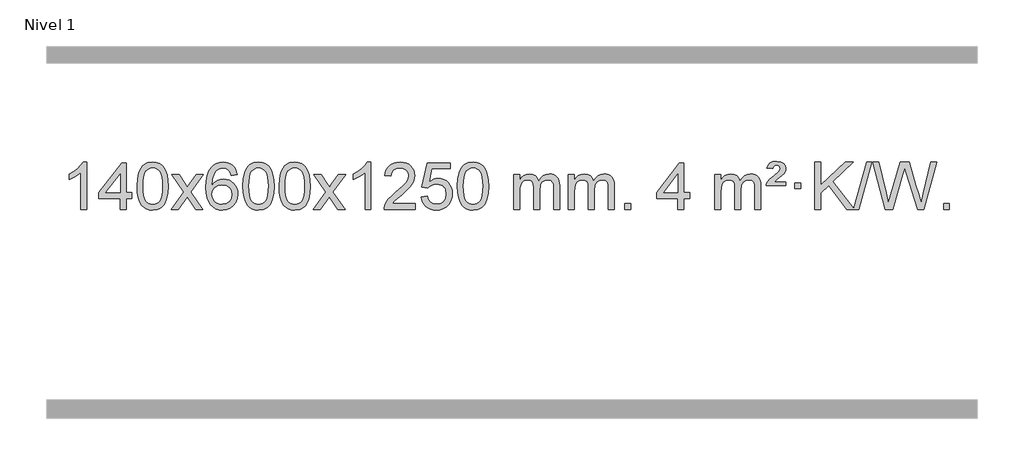
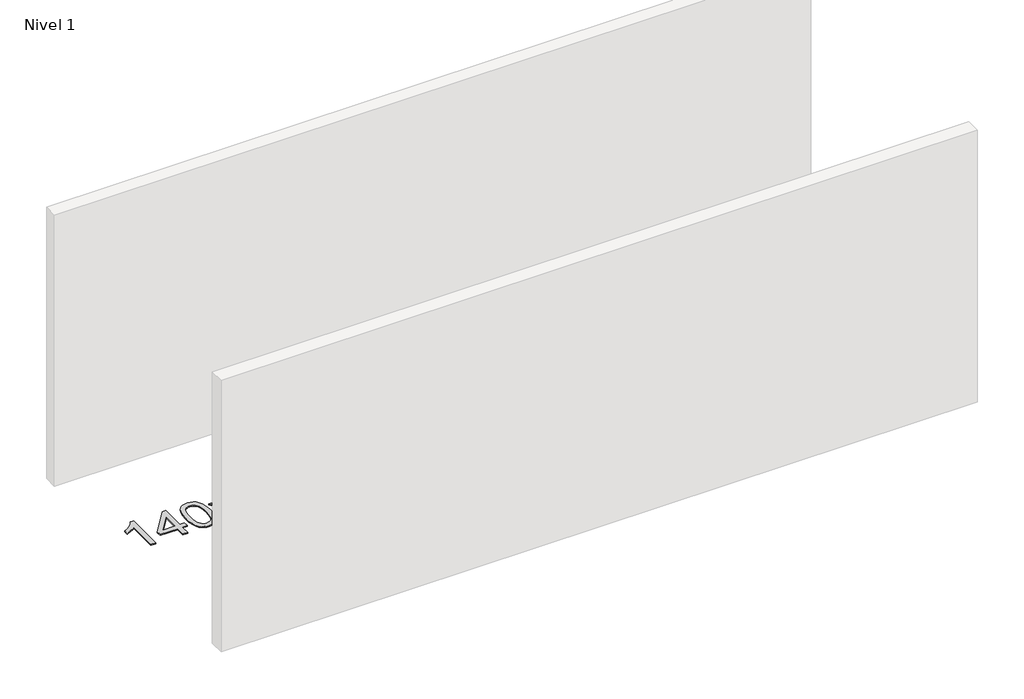
# One storey, part 3 of 9: 1 proxy.
"""IFC4 building model written with IfcOpenShell, lengths in millimetres."""

import ifcopenshell
import ifcopenshell.guid

model = None  # the IFC model being written
_history = None  # IfcOwnerHistory: only IFC2X3 demands one
_inside = {}  # id of a spatial element -> (the spatial element, [elements in it])
_under = {}  # id of a project, library or spatial element -> (it, [spatial elements below it])
_declared = {}  # id of a project -> (the project, [libraries it declares])
_typed = {}  # id of a type object -> (the type object, [elements of that type])
_made_of = {}  # id of a material, layer set ... -> (it, [elements and type objects made of it])


def new_model(schema):
    """Start an empty IFC model of exactly this schema.

    Asked for "IFC4X3", IfcOpenShell would pick the latest addendum, in which some entities
    have other attributes; the version numbers below select the first issue.
    IFC2X3 requires an IfcOwnerHistory on every rooted entity: one is made here for all.
    """
    global model, _history
    if schema == "IFC4X3":
        model = ifcopenshell.file(schema_version=(4, 3, 0, 0))
    else:
        model = ifcopenshell.file(schema=schema)
    _inside.clear()
    _under.clear()
    _declared.clear()
    _typed.clear()
    _made_of.clear()
    _history = None
    if model.schema == "IFC2X3":
        org = make("IfcOrganization", Name="unknown")
        user = make(
            "IfcPersonAndOrganization",
            ThePerson=make("IfcPerson", FamilyName="unknown"),
            TheOrganization=org,
        )
        app = make(
            "IfcApplication",
            ApplicationDeveloper=org,
            Version="unknown",
            ApplicationFullName="unknown",
            ApplicationIdentifier="unknown",
        )
        _history = make(
            "IfcOwnerHistory",
            OwningUser=user,
            OwningApplication=app,
            ChangeAction="ADDED",
            CreationDate=0,
        )
    return model


def make(cls, **values):
    """One entity of the class cls with the attributes given. An attribute that is None is left unset."""
    return model.create_entity(
        cls, **{name: value for name, value in values.items() if value is not None}
    )


def rooted(cls, **values):
    """An entity with a GlobalId (a new one), such as an element, a storey or a relation."""
    return make(cls, GlobalId=ifcopenshell.guid.new(), OwnerHistory=_history, **values)


def si_unit(unit_type, name, prefix=None):
    """IfcSIUnit, for example si_unit("LENGTHUNIT", "METRE", prefix="MILLI")."""
    return make("IfcSIUnit", UnitType=unit_type, Prefix=prefix, Name=name)


def assignment(units):
    """IfcUnitAssignment: the units of a project."""
    return None if units is None else make("IfcUnitAssignment", Units=units)


def point(xyz):
    """IfcCartesianPoint."""
    return None if xyz is None else make("IfcCartesianPoint", Coordinates=xyz)


def direction(xyz):
    """IfcDirection."""
    return None if xyz is None else make("IfcDirection", DirectionRatios=xyz)


def frame(location, z_axis=None, x_axis=None):
    """IfcAxis2Placement3D, a coordinate frame: its origin and axes. An axis left out is left unset."""
    return make(
        "IfcAxis2Placement3D",
        Location=point(location),
        Axis=direction(z_axis),
        RefDirection=direction(x_axis),
    )


def origin():
    """The frame at (0, 0, 0) with its axes left unset."""
    return frame((0.0, 0.0, 0.0))


def origin_with_axes():
    """The frame at (0, 0, 0) with the z axis (0, 0, 1) and the x axis (1, 0, 0) written out."""
    return frame((0.0, 0.0, 0.0), z_axis=(0.0, 0.0, 1.0), x_axis=(1.0, 0.0, 0.0))


def place(relative_to, where):
    """IfcLocalPlacement: puts the frame where relative to a parent placement (None: the world)."""
    return make(
        "IfcLocalPlacement", PlacementRelTo=relative_to, RelativePlacement=where
    )


def context(
    kind, dimensions, precision=None, world=None, true_north=None, identifier=None
):
    """IfcGeometricRepresentationContext, for example the 3D "Model" context."""
    return make(
        "IfcGeometricRepresentationContext",
        ContextIdentifier=identifier,
        ContextType=kind,
        CoordinateSpaceDimension=dimensions,
        Precision=precision,
        WorldCoordinateSystem=world,
        TrueNorth=true_north,
    )


def project(units=None, contexts=None):
    """IfcProject with its units and contexts."""
    return rooted(
        "IfcProject",
        Name="project",
        RepresentationContexts=contexts,
        UnitsInContext=assignment(units),
    )


def spatial(cls, under=None, at=None, **own):
    """A site, building, storey or space (cls), placed at a placement, below another one or the project."""
    s = rooted(cls, ObjectPlacement=at, **own)
    if under is not None:
        _under.setdefault(under.id(), (under, []))[1].append(s)
    return s


def polyline(points):
    """IfcPolyline through the points."""
    return make("IfcPolyline", Points=[point(p) for p in points])


def outline(outer, holes=None, kind="AREA"):
    """IfcArbitraryClosedProfileDef: a profile drawn as a closed curve; with holes, ...WithVoids."""
    if holes is None:
        return make("IfcArbitraryClosedProfileDef", ProfileType=kind, OuterCurve=outer)
    return make(
        "IfcArbitraryProfileDefWithVoids",
        ProfileType=kind,
        OuterCurve=outer,
        InnerCurves=holes,
    )


def extrude(swept, where, along, depth):
    """IfcExtrudedAreaSolid: the profile swept, set in the frame where, extruded along a direction by depth."""
    return make(
        "IfcExtrudedAreaSolid",
        SweptArea=swept,
        Position=where,
        ExtrudedDirection=direction(along),
        Depth=depth,
    )


def shape(context_of_items, identifier, shape_type, items):
    """IfcShapeRepresentation: the items that make up one representation, for example the "Body"."""
    return make(
        "IfcShapeRepresentation",
        ContextOfItems=context_of_items,
        RepresentationIdentifier=identifier,
        RepresentationType=shape_type,
        Items=items,
    )


def made_of(thing, what):
    """Note that an element or type object is made of a material, layer set ...; save() writes the relation."""
    if what is not None:
        _made_of.setdefault(what.id(), (what, []))[1].append(thing)
    return thing


def element(
    cls,
    number,
    at=None,
    inside=None,
    cuts=None,
    type_object=None,
    material=None,
    context=None,
    identifier="Body",
    shape_type=None,
    held_by="IfcProductDefinitionShape",
    body=None,
    shapes=None,
    **own,
):
    """One element of the class cls, such as IfcWall. Its Tag is "e" and its number.

    at: its placement. inside: the storey or other place that contains it. cuts: it is an
    opening in that element (IfcRelVoidsElement). A single representation is given by context,
    identifier, shape_type and body (its items); several are given by shapes. held_by: the class
    of the entity that holds the representations. save() writes the other relations.
    """
    e = rooted(cls, Tag="e%d" % number, ObjectPlacement=at, **own)
    if body is not None:
        shapes = [shape(context, identifier, shape_type, body)]
    if shapes is not None:
        e.Representation = make(held_by, Representations=shapes)
    if inside is not None:
        _inside.setdefault(inside.id(), (inside, []))[1].append(e)
    if cuts is not None:
        rooted(
            "IfcRelVoidsElement", RelatingBuildingElement=cuts, RelatedOpeningElement=e
        )
    if type_object is not None:
        _typed.setdefault(type_object.id(), (type_object, []))[1].append(e)
    return made_of(e, material)


def aggregate(whole, parts):
    """IfcRelAggregates: a whole, such as a stair, and the parts it consists of."""
    return rooted("IfcRelAggregates", RelatingObject=whole, RelatedObjects=parts)


def save(model, path):
    """Write the relations noted so far, then the file.

    IfcRelAggregates (storeys below a building ...), IfcRelContainedInSpatialStructure (elements
    in a storey), IfcRelDefinesByType, IfcRelAssociatesMaterial and IfcRelDeclares: one each for
    every whole, place, type object, material and project.
    """
    for whole, parts in _under.values():
        aggregate(whole, parts)
    for where, things in _inside.values():
        rooted(
            "IfcRelContainedInSpatialStructure",
            RelatedElements=things,
            RelatingStructure=where,
        )
    for kind, things in _typed.values():
        rooted("IfcRelDefinesByType", RelatedObjects=things, RelatingType=kind)
    for what, things in _made_of.values():
        rooted("IfcRelAssociatesMaterial", RelatedObjects=things, RelatingMaterial=what)
    for by, libraries in _declared.values():
        rooted("IfcRelDeclares", RelatingContext=by, RelatedDefinitions=libraries)
    model.write(path)


model = new_model("IFC4")

# Units and contexts
model_context = context("Model", 3, world=origin())
ifc_project = project(units=[si_unit("LENGTHUNIT", "METRE", prefix="MILLI")], contexts=[model_context])

# Site, building, storey
site = spatial("IfcSite", under=ifc_project)
building = spatial("IfcBuilding", under=site)
storey = spatial("IfcBuildingStorey", under=building, Name="Nivel 1", Elevation=0.0)

# Proxy
placement = place(None, origin())
element("IfcBuildingElementProxy", 1, Name="Texto de modelo 1", ObjectType="Texto de modelo 1", at=placement, inside=storey, context=model_context, shape_type="SweptSolid", body=[
    extrude(outline(polyline([(-6189.3326366, -15395.579453), (-6239.5607917, -15395.579453), (-6239.5607917, -15082.4382987), (-6260.5300654, -15099.3976587), (-6287.1401964, -15116.3324932), (-6340.0171019, -15141.6918254), (-6340.0171019, -15094.2105225), (-6300.5678892, -15072.7507395), (-6266.3916519, -15047.219729), (-6239.4504271, -15020.0700378), (-6221.7062522, -14993.7542124), (-6189.3326366, -14993.7542124), (-6189.3326366, -15395.579453)])), origin_with_axes(), (0.0, 0.0, 1.0), 10.0),
    extrude(outline(polyline([(-5906.7992643, -15395.579453), (-5906.7992643, -15301.4016622), (-6088.8763265, -15301.4016622), (-6088.8763265, -15251.1735072), (-5894.2422256, -15000.0327318), (-5856.5711093, -15000.0327318), (-5856.5711093, -15251.1735072), (-5806.3429542, -15251.1735072), (-5806.3429542, -15301.4016622), (-5856.5711093, -15301.4016622), (-5856.5711093, -15395.579453), (-5906.7992643, -15395.579453)]), holes=[polyline([(-5906.7992643, -15251.1735072), (-5906.7992643, -15095.9763561), (-6027.0721513, -15251.1735072), (-5906.7992643, -15251.1735072)])]), origin_with_axes(), (0.0, 0.0, 1.0), 10.0),
    extrude(outline(polyline([(-5762.3933185, -15197.9041943), (-5758.7022358, -15133.5861588), (-5747.6289878, -15082.2911459), (-5729.2839389, -15043.2343407), (-5717.4258759, -15028.0009605), (-5703.7774539, -15015.6309284), (-5688.2926876, -15006.0598651), (-5670.9255918, -14999.2233914), (-5630.5444114, -14993.7542124), (-5599.5932729, -14996.991574), (-5571.8794959, -15006.7036586), (-5548.7029302, -15022.5103217), (-5531.3634255, -15044.0314184), (-5518.2668265, -15071.0830078), (-5507.8189778, -15103.4811488), (-5500.9763727, -15144.6226186), (-5498.6955043, -15197.9041943), (-5502.3497988, -15261.8543477), (-5513.3126823, -15313.0267333), (-5531.5473665, -15352.1203266), (-5543.3778383, -15367.3996922), (-5557.0170633, -15379.8341036), (-5572.5202237, -15389.4695462), (-5589.9425019, -15396.3520052), (-5630.5444114, -15401.8579724), (-5658.2091375, -15399.4667394), (-5682.7346038, -15392.2930405), (-5704.1208105, -15380.3368757), (-5722.3677574, -15363.5982449), (-5739.8789404, -15333.3399508), (-5752.3869282, -15295.6381776), (-5759.8917209, -15250.4929255), (-5762.3933185, -15197.9041943)]), holes=[polyline([(-5712.1651634, -15197.8060924), (-5710.6936354, -15241.4706195), (-5706.2790515, -15276.8148822), (-5698.9214116, -15303.8388804), (-5688.6207157, -15322.5426142), (-5676.1617788, -15335.2682656), (-5662.3294158, -15344.3580165), (-5647.1236267, -15349.8118671), (-5630.5444114, -15351.6298173), (-5613.9651962, -15349.8057357), (-5598.759407, -15344.3334911), (-5584.927044, -15335.2130833), (-5572.4681071, -15322.4445124), (-5562.1674113, -15303.7101217), (-5554.8097713, -15276.6922549), (-5550.3951874, -15241.3909118), (-5548.9236594, -15197.8060924), (-5550.3461365, -15155.2973278), (-5554.6135676, -15120.5753989), (-5561.7259529, -15093.6403055), (-5571.6832922, -15074.4920476), (-5583.9337626, -15061.1440625), (-5597.9255412, -15051.6097875), (-5613.6586278, -15045.8892225), (-5631.1330226, -15043.9823675), (-5647.6263987, -15045.6623619), (-5662.5746705, -15050.7023452), (-5675.9778378, -15059.1023175), (-5687.8359008, -15070.8622786), (-5698.4799532, -15091.708925), (-5706.0828478, -15119.8151094), (-5710.6445845, -15155.1808319), (-5712.1651634, -15197.8060924)])]), origin_with_axes(), (0.0, 0.0, 1.0), 10.0),
    extrude(outline(polyline([(-5473.5814268, -15395.579453), (-5366.2579861, -15247.2494325), (-5467.3029074, -15100.4890419), (-5406.8721584, -15100.4890419), (-5358.1155313, -15171.122385), (-5335.3558985, -15204.4770192), (-5315.6374235, -15177.2047007), (-5260.1117677, -15100.4890419), (-5199.6810187, -15100.4890419), (-5305.827237, -15247.2494325), (-5203.6050933, -15395.579453), (-5264.0358424, -15395.579453), (-5325.545712, -15306.4048574), (-5336.8274265, -15290.1199477), (-5413.1506777, -15395.579453), (-5473.5814268, -15395.579453)])), origin_with_axes(), (0.0, 0.0, 1.0), 10.0),
    extrude(outline(polyline([(-4914.7932016, -15100.4890419), (-4965.0213567, -15106.7675613), (-4973.1147606, -15081.874213), (-4984.0531186, -15064.8780648), (-5006.8372768, -15049.2062918), (-5034.3793755, -15043.9823675), (-5057.7276195, -15047.0235253), (-5079.7024373, -15056.1469988), (-5098.5747837, -15075.3627017), (-5113.9890393, -15101.8134171), (-5124.4000997, -15139.227016), (-5128.2628607, -15191.3313693), (-5108.1151901, -15167.8237098), (-5083.9698685, -15151.2567573), (-5057.1757965, -15141.434308), (-5029.0818748, -15138.1601582), (-5004.9488159, -15140.398107), (-4982.6796924, -15147.1119534), (-4962.2745044, -15158.3016975), (-4943.7332519, -15173.9673391), (-4928.3251277, -15193.1769106), (-4917.3193246, -15214.9984443), (-4910.7158428, -15239.4319401), (-4908.5146822, -15266.4773982), (-4912.659486, -15302.4439945), (-4925.0938975, -15335.786366), (-4944.7878469, -15364.0642287), (-4970.7112649, -15384.8372987), (-5001.6869289, -15397.602804), (-5036.5376165, -15401.8579724), (-5066.4801453, -15399.0375437), (-5093.5225376, -15390.5762579), (-5117.6647935, -15376.4741147), (-5138.9069131, -15356.7311143), (-5156.224958, -15330.5133908), (-5168.5949901, -15296.9870783), (-5176.0170093, -15256.1521768), (-5178.4910157, -15208.0086864), (-5175.7441635, -15154.0342663), (-5167.5036068, -15107.9693092), (-5153.7693457, -15069.8138149), (-5134.5413801, -15039.5677835), (-5113.700865, -15019.5243462), (-5089.5371493, -15005.2076052), (-5062.0502329, -14996.6175606), (-5031.2401158, -14993.7542124), (-5008.1064697, -14995.5261773), (-4987.1678528, -15000.8420722), (-4968.4242651, -15009.7018969), (-4951.8757067, -15022.1056515), (-4937.9697673, -15037.6364031), (-4927.1540366, -15055.8772186), (-4919.4285147, -15076.8280983), (-4914.7932016, -15100.4890419)]), holes=[polyline([(-5128.2628607, -15265.6925832), (-5125.3565929, -15287.9494439), (-5116.6377896, -15309.2007605), (-5103.0997322, -15327.472233), (-5085.735702, -15340.7895612), (-5064.778691, -15348.9197533), (-5040.4616912, -15351.6298173), (-5007.3155234, -15346.0134855), (-4993.4003869, -15338.9930708), (-4981.2572154, -15329.1644901), (-4971.407175, -15316.9262824), (-4964.3714318, -15302.6769865), (-4958.7428373, -15268.1451299), (-4964.2978554, -15234.9989621), (-4971.2416281, -15221.3781312), (-4980.9629098, -15209.725469), (-4993.1428695, -15200.3904634), (-5007.4626762, -15193.7226022), (-5042.5218303, -15188.3883133), (-5075.6189472, -15193.7226022), (-5103.2959359, -15209.725469), (-5114.2189655, -15221.2248471), (-5122.0211295, -15234.3858254), (-5126.7024279, -15249.2084042), (-5128.2628607, -15265.6925832)])]), origin_with_axes(), (0.0, 0.0, 1.0), 10.0),
    extrude(outline(polyline([(-4864.5650465, -15197.9041943), (-4860.8739638, -15133.5861588), (-4849.8007158, -15082.2911459), (-4831.455667, -15043.2343407), (-4819.597604, -15028.0009605), (-4805.949182, -15015.6309284), (-4790.4644157, -15006.0598651), (-4773.0973198, -14999.2233914), (-4732.7161395, -14993.7542124), (-4701.7650009, -14996.991574), (-4674.051224, -15006.7036586), (-4650.8746583, -15022.5103217), (-4633.5351536, -15044.0314184), (-4620.4385545, -15071.0830078), (-4609.9907059, -15103.4811488), (-4603.1481008, -15144.6226186), (-4600.8672324, -15197.9041943), (-4604.5215269, -15261.8543477), (-4615.4844103, -15313.0267333), (-4633.7190946, -15352.1203266), (-4645.5495664, -15367.3996922), (-4659.1887914, -15379.8341036), (-4674.6919518, -15389.4695462), (-4692.1142299, -15396.3520052), (-4732.7161395, -15401.8579724), (-4760.3808655, -15399.4667394), (-4784.9063318, -15392.2930405), (-4806.2925385, -15380.3368757), (-4824.5394855, -15363.5982449), (-4842.0506684, -15333.3399508), (-4854.5586563, -15295.6381776), (-4862.063449, -15250.4929255), (-4864.5650465, -15197.9041943)]), holes=[polyline([(-4814.3368915, -15197.8060924), (-4812.8653635, -15241.4706195), (-4808.4507795, -15276.8148822), (-4801.0931396, -15303.8388804), (-4790.7924438, -15322.5426142), (-4778.3335069, -15335.2682656), (-4764.5011438, -15344.3580165), (-4749.2953547, -15349.8118671), (-4732.7161395, -15351.6298173), (-4716.1369242, -15349.8057357), (-4700.9311351, -15344.3334911), (-4687.0987721, -15335.2130833), (-4674.6398352, -15322.4445124), (-4664.3391393, -15303.7101217), (-4656.9814994, -15276.6922549), (-4652.5669154, -15241.3909118), (-4651.0953875, -15197.8060924), (-4652.5178645, -15155.2973278), (-4656.7852957, -15120.5753989), (-4663.8976809, -15093.6403055), (-4673.8550202, -15074.4920476), (-4686.1054907, -15061.1440625), (-4700.0972692, -15051.6097875), (-4715.8303559, -15045.8892225), (-4733.3047507, -15043.9823675), (-4749.7981268, -15045.6623619), (-4764.7463985, -15050.7023452), (-4778.1495659, -15059.1023175), (-4790.0076288, -15070.8622786), (-4800.6516812, -15091.708925), (-4808.2545758, -15119.8151094), (-4812.8163125, -15155.1808319), (-4814.3368915, -15197.8060924)])]), origin_with_axes(), (0.0, 0.0, 1.0), 10.0),
    extrude(outline(polyline([(-4556.9175967, -15197.9041943), (-4553.226514, -15133.5861588), (-4542.153266, -15082.2911459), (-4523.8082171, -15043.2343407), (-4511.9501542, -15028.0009605), (-4498.3017321, -15015.6309284), (-4482.8169658, -15006.0598651), (-4465.44987, -14999.2233914), (-4425.0686896, -14993.7542124), (-4394.1175511, -14996.991574), (-4366.4037741, -15006.7036586), (-4343.2272084, -15022.5103217), (-4325.8877037, -15044.0314184), (-4312.7911047, -15071.0830078), (-4302.343256, -15103.4811488), (-4295.5006509, -15144.6226186), (-4293.2197826, -15197.9041943), (-4296.874077, -15261.8543477), (-4307.8369605, -15313.0267333), (-4326.0716447, -15352.1203266), (-4337.9021166, -15367.3996922), (-4351.5413415, -15379.8341036), (-4367.0445019, -15389.4695462), (-4384.4667801, -15396.3520052), (-4425.0686896, -15401.8579724), (-4452.7334157, -15399.4667394), (-4477.258882, -15392.2930405), (-4498.6450887, -15380.3368757), (-4516.8920356, -15363.5982449), (-4534.4032186, -15333.3399508), (-4546.9112064, -15295.6381776), (-4554.4159991, -15250.4929255), (-4556.9175967, -15197.9041943)]), holes=[polyline([(-4506.6894416, -15197.8060924), (-4505.2179136, -15241.4706195), (-4500.8033297, -15276.8148822), (-4493.4456898, -15303.8388804), (-4483.1449939, -15322.5426142), (-4470.686057, -15335.2682656), (-4456.853694, -15344.3580165), (-4441.6479049, -15349.8118671), (-4425.0686896, -15351.6298173), (-4408.4894744, -15349.8057357), (-4393.2836852, -15344.3334911), (-4379.4513222, -15335.2130833), (-4366.9923853, -15322.4445124), (-4356.6916895, -15303.7101217), (-4349.3340496, -15276.6922549), (-4344.9194656, -15241.3909118), (-4343.4479376, -15197.8060924), (-4344.8704147, -15155.2973278), (-4349.1378458, -15120.5753989), (-4356.2502311, -15093.6403055), (-4366.2075704, -15074.4920476), (-4378.4580408, -15061.1440625), (-4392.4498194, -15051.6097875), (-4408.182906, -15045.8892225), (-4425.6573008, -15043.9823675), (-4442.1506769, -15045.6623619), (-4457.0989487, -15050.7023452), (-4470.502116, -15059.1023175), (-4482.360179, -15070.8622786), (-4493.0042314, -15091.708925), (-4500.607126, -15119.8151094), (-4505.1688627, -15155.1808319), (-4506.6894416, -15197.8060924)])]), origin_with_axes(), (0.0, 0.0, 1.0), 10.0),
    extrude(outline(polyline([(-4268.105705, -15395.579453), (-4160.7822643, -15247.2494325), (-4261.8271856, -15100.4890419), (-4201.3964366, -15100.4890419), (-4152.6398095, -15171.122385), (-4129.8801767, -15204.4770192), (-4110.1617018, -15177.2047007), (-4054.6360459, -15100.4890419), (-3994.2052969, -15100.4890419), (-4100.3515152, -15247.2494325), (-3998.1293715, -15395.579453), (-4058.5601206, -15395.579453), (-4120.0699902, -15306.4048574), (-4131.3517047, -15290.1199477), (-4207.6749559, -15395.579453), (-4268.105705, -15395.579453)])), origin_with_axes(), (0.0, 0.0, 1.0), 10.0),
    extrude(outline(polyline([(-3778.381193, -15395.579453), (-3828.6093481, -15395.579453), (-3828.6093481, -15082.4382987), (-3849.5786218, -15099.3976587), (-3876.1887528, -15116.3324932), (-3929.0656583, -15141.6918254), (-3929.0656583, -15094.2105225), (-3889.6164456, -15072.7507395), (-3855.4402083, -15047.219729), (-3828.4989835, -15020.0700378), (-3810.7548086, -14993.7542124), (-3778.381193, -14993.7542124), (-3778.381193, -15395.579453)])), origin_with_axes(), (0.0, 0.0, 1.0), 10.0),
    extrude(outline(polyline([(-3401.67003, -15345.3512979), (-3401.67003, -15395.579453), (-3665.3678441, -15395.579453), (-3664.2641981, -15377.8965918), (-3659.9722415, -15360.9494945), (-3647.586881, -15333.8856424), (-3629.4625614, -15307.6311307), (-3603.2448379, -15280.1503456), (-3566.5792657, -15249.4076736), (-3512.3779851, -15201.2641831), (-3479.8572167, -15165.7267824), (-3463.5968325, -15136.884834), (-3458.1767044, -15108.8277005), (-3463.2902642, -15083.6768347), (-3478.6309434, -15062.7688747), (-3502.2121793, -15048.6789943), (-3532.0474091, -15043.9823675), (-3563.3786923, -15048.5686297), (-3587.7202177, -15062.3274163), (-3603.4287789, -15084.1796068), (-3608.8611697, -15113.0460807), (-3659.0893247, -15106.7675613), (-3654.769777, -15080.838012), (-3646.9124307, -15058.1826125), (-3635.5172859, -15038.8013627), (-3620.5843426, -15022.6942627), (-3602.4569573, -15010.0329907), (-3581.4784865, -15000.989225), (-3557.6489302, -14995.5629655), (-3530.9682885, -14993.7542124), (-3504.0485236, -14995.7653006), (-3480.0902086, -15001.7985654), (-3459.0933437, -15011.8540066), (-3441.0579289, -15025.9316242), (-3426.5725754, -15042.9890861), (-3416.2258943, -15061.9840598), (-3410.0178856, -15082.9165453), (-3407.9485494, -15105.7865427), (-3410.1803668, -15129.8092369), (-3416.8758191, -15153.4149983), (-3428.7584076, -15177.4254299), (-3446.5516334, -15202.6621347), (-3474.9153352, -15232.7916701), (-3518.5093516, -15271.4805933), (-3576.2913504, -15319.795762), (-3598.9528813, -15345.3512979), (-3401.67003, -15345.3512979)])), origin_with_axes(), (0.0, 0.0, 1.0), 10.0),
    extrude(outline(polyline([(-3351.4418749, -15288.8446235), (-3301.2137198, -15282.5661041), (-3291.9921445, -15312.7201649), (-3275.9034386, -15334.3148381), (-3253.0211785, -15347.3010725), (-3223.4189406, -15351.6298173), (-3204.2890768, -15350.1245668), (-3187.415556, -15345.6088153), (-3172.798378, -15338.0825628), (-3160.437543, -15327.5458094), (-3150.6089624, -15314.519721), (-3143.5885476, -15299.5254641), (-3137.9722158, -15263.6324441), (-3143.2329284, -15229.8363514), (-3149.808819, -15215.9181493), (-3159.015066, -15203.9865099), (-3170.882326, -15194.4154467), (-3185.4412559, -15187.5789729), (-3222.6341257, -15182.1097939), (-3247.0001765, -15184.2925604), (-3266.7309141, -15190.8408599), (-3282.4885263, -15200.8717757), (-3294.9352004, -15213.5023908), (-3345.1633555, -15207.2238715), (-3301.2137198, -15000.0327318), (-3106.5796189, -15000.0327318), (-3106.5796189, -15050.2608869), (-3260.5995476, -15050.2608869), (-3282.0838561, -15160.919791), (-3264.3580753, -15148.2155994), (-3246.2030988, -15139.1411769), (-3227.6189267, -15133.6965234), (-3208.6055589, -15131.8816388), (-3184.1444719, -15134.1318504), (-3161.6760791, -15140.882485), (-3141.2003803, -15152.1335427), (-3122.7173758, -15167.8850234), (-3107.4165505, -15187.1743027), (-3096.4873895, -15209.038756), (-3089.9298929, -15233.4783832), (-3087.7440608, -15260.4931844), (-3089.7122294, -15286.5147042), (-3095.6167355, -15310.7213394), (-3105.4575788, -15333.1130902), (-3119.2347595, -15353.6899565), (-3140.1059314, -15374.7634634), (-3164.4597195, -15389.8159684), (-3192.2961238, -15398.8474714), (-3223.6151443, -15401.8579724), (-3249.5354966, -15399.9235262), (-3272.9481199, -15394.1201877), (-3293.8530142, -15384.447957), (-3312.2501797, -15370.9068338), (-3327.5571364, -15354.1712688), (-3339.1914045, -15334.915712), (-3347.152984, -15313.1401636), (-3351.4418749, -15288.8446235)])), origin_with_axes(), (0.0, 0.0, 1.0), 10.0),
    extrude(outline(polyline([(-3043.7944251, -15197.9041943), (-3040.1033424, -15133.5861588), (-3029.0300943, -15082.2911459), (-3010.6850455, -15043.2343407), (-2998.8269825, -15028.0009605), (-2985.1785605, -15015.6309284), (-2969.6937942, -15006.0598651), (-2952.3266983, -14999.2233914), (-2911.945518, -14993.7542124), (-2880.9943795, -14996.991574), (-2853.2806025, -15006.7036586), (-2830.1040368, -15022.5103217), (-2812.7645321, -15044.0314184), (-2799.6679331, -15071.0830078), (-2789.2200844, -15103.4811488), (-2782.3774793, -15144.6226186), (-2780.0966109, -15197.9041943), (-2783.7509054, -15261.8543477), (-2794.7137889, -15313.0267333), (-2812.9484731, -15352.1203266), (-2824.7789449, -15367.3996922), (-2838.4181699, -15379.8341036), (-2853.9213303, -15389.4695462), (-2871.3436085, -15396.3520052), (-2911.945518, -15401.8579724), (-2939.610244, -15399.4667394), (-2964.1357104, -15392.2930405), (-2985.521917, -15380.3368757), (-3003.768864, -15363.5982449), (-3021.280047, -15333.3399508), (-3033.7880348, -15295.6381776), (-3041.2928275, -15250.4929255), (-3043.7944251, -15197.9041943)]), holes=[polyline([(-2993.56627, -15197.8060924), (-2992.094742, -15241.4706195), (-2987.6801581, -15276.8148822), (-2980.3225182, -15303.8388804), (-2970.0218223, -15322.5426142), (-2957.5628854, -15335.2682656), (-2943.7305224, -15344.3580165), (-2928.5247332, -15349.8118671), (-2911.945518, -15351.6298173), (-2895.3663027, -15349.8057357), (-2880.1605136, -15344.3334911), (-2866.3281506, -15335.2130833), (-2853.8692137, -15322.4445124), (-2843.5685178, -15303.7101217), (-2836.2108779, -15276.6922549), (-2831.796294, -15241.3909118), (-2830.324766, -15197.8060924), (-2831.747243, -15155.2973278), (-2836.0146742, -15120.5753989), (-2843.1270594, -15093.6403055), (-2853.0843988, -15074.4920476), (-2865.3348692, -15061.1440625), (-2879.3266478, -15051.6097875), (-2895.0597344, -15045.8892225), (-2912.5341292, -15043.9823675), (-2929.0275053, -15045.6623619), (-2943.975777, -15050.7023452), (-2957.3789444, -15059.1023175), (-2969.2370074, -15070.8622786), (-2979.8810598, -15091.708925), (-2987.4839543, -15119.8151094), (-2992.0456911, -15155.1808319), (-2993.56627, -15197.8060924)])]), origin_with_axes(), (0.0, 0.0, 1.0), 10.0),
    extrude(outline(polyline([(-2566.6269519, -15395.579453), (-2566.6269519, -15100.4890419), (-2516.3987968, -15100.4890419), (-2516.3987968, -15149.0494653), (-2501.2911095, -15126.7435537), (-2481.8669402, -15109.2691589), (-2458.7884763, -15097.9751816), (-2432.7179056, -15094.2105225), (-2404.7833994, -15098.048758), (-2382.3916487, -15109.5634645), (-2365.6652806, -15127.9943524), (-2354.7269226, -15152.5811324), (-2336.418662, -15127.0439906), (-2315.5352274, -15108.803175), (-2292.0766189, -15097.8586857), (-2266.0428363, -15094.2105225), (-2245.9350196, -15095.7280358), (-2228.2858809, -15100.2805755), (-2213.0954202, -15107.8681416), (-2200.3636375, -15118.4907342), (-2190.2989992, -15132.2709806), (-2183.1099719, -15149.3315082), (-2178.7965555, -15169.6723168), (-2177.35875, -15193.2934066), (-2177.35875, -15395.579453), (-2227.5869051, -15395.579453), (-2227.5869051, -15214.875817), (-2228.7518648, -15189.8230531), (-2232.2467437, -15172.9372695), (-2238.7950432, -15161.3735121), (-2249.1202646, -15152.2868268), (-2262.4008046, -15146.4007149), (-2277.8150602, -15144.4386776), (-2305.0260651, -15149.4663982), (-2327.2093494, -15164.54956), (-2335.8147224, -15176.1194488), (-2341.9614174, -15190.7182326), (-2346.8787734, -15229.0024856), (-2346.8787734, -15395.579453), (-2397.1069285, -15395.579453), (-2397.1069285, -15209.2840106), (-2400.0131962, -15180.8835206), (-2408.7319995, -15160.6254854), (-2424.0726787, -15148.4853796), (-2446.8445742, -15144.4386776), (-2466.1951672, -15147.1364789), (-2484.0251812, -15155.2298828), (-2498.740461, -15168.5226856), (-2508.7468513, -15186.8186835), (-2514.4858104, -15212.2025411), (-2516.3987968, -15246.7589232), (-2516.3987968, -15395.579453), (-2566.6269519, -15395.579453)])), origin_with_axes(), (0.0, 0.0, 1.0), 10.0),
    extrude(outline(polyline([(-2102.0165174, -15395.579453), (-2102.0165174, -15100.4890419), (-2051.7883623, -15100.4890419), (-2051.7883623, -15149.0494653), (-2036.6806751, -15126.7435537), (-2017.2565057, -15109.2691589), (-1994.1780419, -15097.9751816), (-1968.1074712, -15094.2105225), (-1940.172965, -15098.048758), (-1917.7812142, -15109.5634645), (-1901.0548462, -15127.9943524), (-1890.1164882, -15152.5811324), (-1871.8082276, -15127.0439906), (-1850.924793, -15108.803175), (-1827.4661844, -15097.8586857), (-1801.4324019, -15094.2105225), (-1781.3245852, -15095.7280358), (-1763.6754465, -15100.2805755), (-1748.4849857, -15107.8681416), (-1735.753203, -15118.4907342), (-1725.6885648, -15132.2709806), (-1718.4995374, -15149.3315082), (-1714.1861211, -15169.6723168), (-1712.7483156, -15193.2934066), (-1712.7483156, -15395.579453), (-1762.9764707, -15395.579453), (-1762.9764707, -15214.875817), (-1764.1414303, -15189.8230531), (-1767.6363093, -15172.9372695), (-1774.1846088, -15161.3735121), (-1784.5098301, -15152.2868268), (-1797.7903701, -15146.4007149), (-1813.2046257, -15144.4386776), (-1840.4156306, -15149.4663982), (-1862.598915, -15164.54956), (-1871.204288, -15176.1194488), (-1877.350983, -15190.7182326), (-1882.268339, -15229.0024856), (-1882.268339, -15395.579453), (-1932.496494, -15395.579453), (-1932.496494, -15209.2840106), (-1935.4027618, -15180.8835206), (-1944.1215651, -15160.6254854), (-1959.4622443, -15148.4853796), (-1982.2341398, -15144.4386776), (-2001.5847327, -15147.1364789), (-2019.4147468, -15155.2298828), (-2034.1300266, -15168.5226856), (-2044.1364168, -15186.8186835), (-2049.875376, -15212.2025411), (-2051.7883623, -15246.7589232), (-2051.7883623, -15395.579453), (-2102.0165174, -15395.579453)])), origin_with_axes(), (0.0, 0.0, 1.0), 10.0),
    extrude(outline(polyline([(-1624.8490442, -15395.579453), (-1624.8490442, -15345.3512979), (-1574.6208891, -15345.3512979), (-1574.6208891, -15395.579453), (-1624.8490442, -15395.579453)])), origin_with_axes(), (0.0, 0.0, 1.0), 10.0),
    extrude(outline(polyline([(-1172.7956485, -15395.579453), (-1172.7956485, -15301.4016622), (-1354.8727107, -15301.4016622), (-1354.8727107, -15251.1735072), (-1160.2386098, -15000.0327318), (-1122.5674935, -15000.0327318), (-1122.5674935, -15251.1735072), (-1072.3393384, -15251.1735072), (-1072.3393384, -15301.4016622), (-1122.5674935, -15301.4016622), (-1122.5674935, -15395.579453), (-1172.7956485, -15395.579453)]), holes=[polyline([(-1172.7956485, -15251.1735072), (-1172.7956485, -15095.9763561), (-1293.0685355, -15251.1735072), (-1172.7956485, -15251.1735072)])]), origin_with_axes(), (0.0, 0.0, 1.0), 10.0),
    extrude(outline(polyline([(-858.8696793, -15395.579453), (-858.8696793, -15100.4890419), (-808.6415242, -15100.4890419), (-808.6415242, -15149.0494653), (-793.533837, -15126.7435537), (-774.1096676, -15109.2691589), (-751.0312038, -15097.9751816), (-724.9606331, -15094.2105225), (-697.0261269, -15098.048758), (-674.6343761, -15109.5634645), (-657.9080081, -15127.9943524), (-646.9696501, -15152.5811324), (-628.6613895, -15127.0439906), (-607.7779549, -15108.803175), (-584.3193463, -15097.8586857), (-558.2855638, -15094.2105225), (-538.1777471, -15095.7280358), (-520.5286084, -15100.2805755), (-505.3381476, -15107.8681416), (-492.6063649, -15118.4907342), (-482.5417267, -15132.2709806), (-475.3526993, -15149.3315082), (-471.0392829, -15169.6723168), (-469.6014775, -15193.2934066), (-469.6014775, -15395.579453), (-519.8296326, -15395.579453), (-519.8296326, -15214.875817), (-520.9945922, -15189.8230531), (-524.4894712, -15172.9372695), (-531.0377707, -15161.3735121), (-541.362992, -15152.2868268), (-554.643532, -15146.4007149), (-570.0577876, -15144.4386776), (-597.2687925, -15149.4663982), (-619.4520769, -15164.54956), (-628.0574499, -15176.1194488), (-634.2041449, -15190.7182326), (-639.1215009, -15229.0024856), (-639.1215009, -15395.579453), (-689.3496559, -15395.579453), (-689.3496559, -15209.2840106), (-692.2559237, -15180.8835206), (-700.974727, -15160.6254854), (-716.3154062, -15148.4853796), (-739.0873017, -15144.4386776), (-758.4378946, -15147.1364789), (-776.2679087, -15155.2298828), (-790.9831885, -15168.5226856), (-800.9895787, -15186.8186835), (-806.7285379, -15212.2025411), (-808.6415242, -15246.7589232), (-808.6415242, -15395.579453), (-858.8696793, -15395.579453)])), origin_with_axes(), (0.0, 0.0, 1.0), 10.0),
    extrude(outline(polyline([(-425.6518418, -15194.6668327), (-421.825869, -15178.8479069), (-413.4872105, -15162.9799302), (-391.9783765, -15137.8413272), (-360.0216939, -15110.1030247), (-315.8758544, -15072.726214), (-308.7389437, -15061.1992448), (-306.3599735, -15049.3779701), (-308.2484344, -15037.2869152), (-313.9138171, -15027.5012541), (-323.2825453, -15021.026531), (-336.2810424, -15018.8682899), (-348.7154539, -15020.4869707), (-357.5691472, -15025.343013), (-363.9948194, -15034.8098431), (-369.1451673, -15050.2608869), (-419.3733224, -15043.9823675), (-408.5330663, -15018.7701881), (-391.9048001, -15001.2099542), (-368.1396232, -14990.9092583), (-335.888635, -14987.475693), (-300.1059796, -14991.6082341), (-275.359784, -15004.0058573), (-260.9388098, -15022.3386434), (-256.1318184, -15044.2766731), (-260.2275713, -15067.1834586), (-272.5148299, -15088.8149199), (-293.0426453, -15108.6314968), (-329.5120137, -15136.6886303), (-355.1166006, -15163.2742358), (-256.1318184, -15163.2742358), (-256.1318184, -15194.6668327), (-425.6518418, -15194.6668327)])), origin_with_axes(), (0.0, 0.0, 1.0), 10.0),
    extrude(outline(polyline([(-180.7895858, -15219.7809102), (-180.7895858, -15169.5527552), (-130.5614307, -15169.5527552), (-130.5614307, -15219.7809102), (-180.7895858, -15219.7809102)])), origin_with_axes(), (0.0, 0.0, 1.0), 10.0),
    extrude(outline(polyline([(260.0801972, -15395.579453), (106.6488798, -15192.9009991), (38.9585926, -15257.4520265), (38.9585926, -15395.579453), (-11.2695624, -15395.579453), (-11.2695624, -14993.7542124), (38.9585926, -14993.7542124), (38.9585926, -15190.4484525), (244.9725099, -14993.7542124), (315.2134456, -14993.7542124), (142.2598569, -15158.9577537), (316.9134667, -15389.5349332), (428.2267945, -14993.7542124), (473.5498563, -14993.7542124), (360.5365074, -15395.579453), (321.4919649, -15395.579453), (315.2134456, -15395.579453), (260.0801972, -15395.579453)])), origin_with_axes(), (0.0, 0.0, 1.0), 10.0),
    extrude(outline(polyline([(588.0347332, -15395.579453), (478.4549496, -14993.7542124), (530.2527345, -14993.7542124), (593.8227432, -15257.844434), (613.4431163, -15339.3670841), (634.4369155, -15267.2622131), (714.0956302, -14993.7542124), (788.7511498, -14993.7542124), (846.6312503, -15192.0180823), (871.4264968, -15265.5944814), (889.6979692, -15339.3670841), (908.7297311, -15260.1988788), (972.8883511, -14993.7542124), (1024.686136, -14993.7542124), (915.0082505, -15395.579453), (861.3465301, -15395.579453), (765.0104983, -15085.5775584), (751.5705428, -15042.3146358), (736.4628555, -15094.4067263), (648.661686, -15395.579453), (588.0347332, -15395.579453)])), origin_with_axes(), (0.0, 0.0, 1.0), 10.0),
    extrude(outline(polyline([(1081.1928104, -15395.579453), (1081.1928104, -15345.3512979), (1131.4209655, -15345.3512979), (1131.4209655, -15395.579453), (1081.1928104, -15395.579453)])), origin_with_axes(), (0.0, 0.0, 1.0), 10.0),
])

save(model, "model.ifc")
